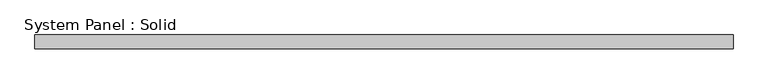
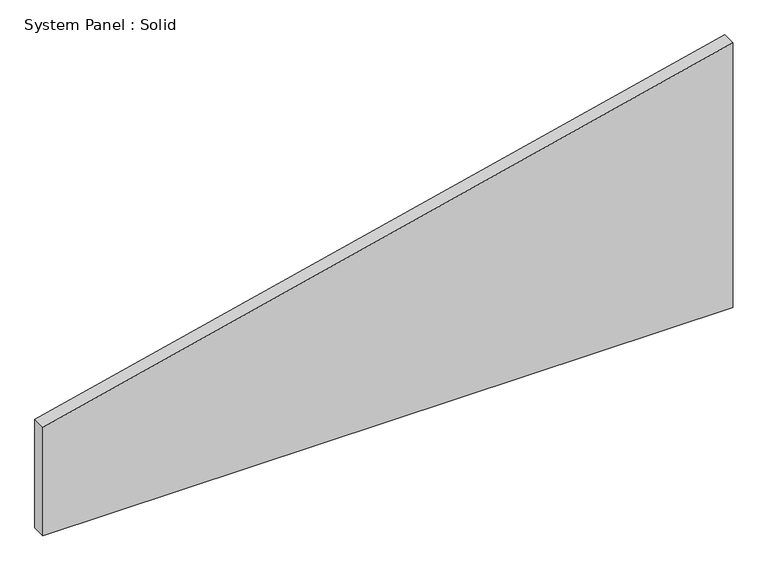
"""IFC4 building model written with IfcOpenShell, lengths in millimetres: plate geometry, System Panel : Solid."""

from ifc_helpers import new_model, si_unit, frame, origin, place, context, project, spatial, polyline, outline, extrude, source, transform, mapped, element, save


def system_panel_solid_52b9880b(model_context):
    return source(origin(), model_context, "Body", "SweptSolid", [
        extrude(outline(polyline([(0.0, -1500.0), (0.0, 1500.0), (1216.7113048, 1500.0), (498.4801257, -1500.0), (0.0, -1500.0)])), frame((0.0, -10.5, 0.0), z_axis=(0.0, 1.0, 0.0), x_axis=(0.0, 0.0, 1.0)), (0.0, 0.0, 1.0), 60.0),
    ])


if __name__ == "__main__":
    model = new_model("IFC4")
    model_context = context("Model", 3, world=origin())
    ifc_project = project(units=[si_unit("LENGTHUNIT", "METRE", prefix="MILLI")], contexts=[model_context])
    site = spatial("IfcSite", under=ifc_project)
    building = spatial("IfcBuilding", under=site)
    placement = place(None, origin())
    system_panel_solid_shape = system_panel_solid_52b9880b(model_context)
    element("IfcPlate", 1, ObjectType="System Panel : Solid", at=placement, inside=building, context=model_context, shape_type="MappedRepresentation", body=[
        mapped(system_panel_solid_shape, transform((0.0, 0.0, 0.0), x_axis=(1.0, 0.0, 0.0), y_axis=(0.0, 1.0, 0.0), z_axis=(0.0, 0.0, 1.0))),
    ])
    save(model, "model.ifc")
